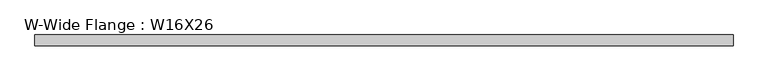
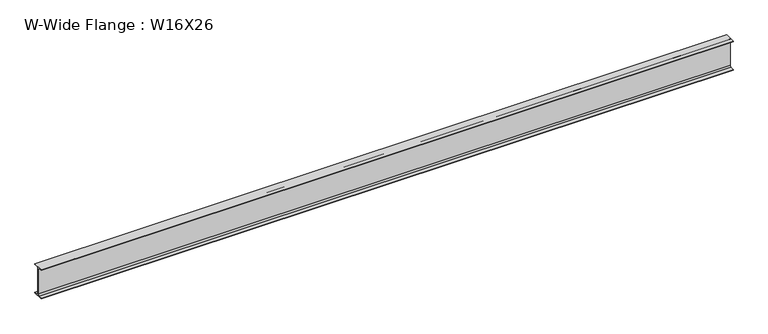
"""IFC4 building model written with IfcOpenShell, lengths in millimetres: beam geometry, W-Wide Flange : W16X26."""

import ifcopenshell
import ifcopenshell.guid

model = None  # the IFC model being written
_history = None  # IfcOwnerHistory: only IFC2X3 demands one
_inside = {}  # id of a spatial element -> (the spatial element, [elements in it])
_under = {}  # id of a project, library or spatial element -> (it, [spatial elements below it])
_declared = {}  # id of a project -> (the project, [libraries it declares])
_typed = {}  # id of a type object -> (the type object, [elements of that type])
_made_of = {}  # id of a material, layer set ... -> (it, [elements and type objects made of it])


def new_model(schema):
    """Start an empty IFC model of exactly this schema.

    Asked for "IFC4X3", IfcOpenShell would pick the latest addendum, in which some entities
    have other attributes; the version numbers below select the first issue.
    IFC2X3 requires an IfcOwnerHistory on every rooted entity: one is made here for all.
    """
    global model, _history
    if schema == "IFC4X3":
        model = ifcopenshell.file(schema_version=(4, 3, 0, 0))
    else:
        model = ifcopenshell.file(schema=schema)
    _inside.clear()
    _under.clear()
    _declared.clear()
    _typed.clear()
    _made_of.clear()
    _history = None
    if model.schema == "IFC2X3":
        org = make("IfcOrganization", Name="unknown")
        user = make(
            "IfcPersonAndOrganization",
            ThePerson=make("IfcPerson", FamilyName="unknown"),
            TheOrganization=org,
        )
        app = make(
            "IfcApplication",
            ApplicationDeveloper=org,
            Version="unknown",
            ApplicationFullName="unknown",
            ApplicationIdentifier="unknown",
        )
        _history = make(
            "IfcOwnerHistory",
            OwningUser=user,
            OwningApplication=app,
            ChangeAction="ADDED",
            CreationDate=0,
        )
    return model


def make(cls, **values):
    """One entity of the class cls with the attributes given. An attribute that is None is left unset."""
    return model.create_entity(
        cls, **{name: value for name, value in values.items() if value is not None}
    )


def rooted(cls, **values):
    """An entity with a GlobalId (a new one), such as an element, a storey or a relation."""
    return make(cls, GlobalId=ifcopenshell.guid.new(), OwnerHistory=_history, **values)


def si_unit(unit_type, name, prefix=None):
    """IfcSIUnit, for example si_unit("LENGTHUNIT", "METRE", prefix="MILLI")."""
    return make("IfcSIUnit", UnitType=unit_type, Prefix=prefix, Name=name)


def assignment(units):
    """IfcUnitAssignment: the units of a project."""
    return None if units is None else make("IfcUnitAssignment", Units=units)


def point(xyz):
    """IfcCartesianPoint."""
    return None if xyz is None else make("IfcCartesianPoint", Coordinates=xyz)


def direction(xyz):
    """IfcDirection."""
    return None if xyz is None else make("IfcDirection", DirectionRatios=xyz)


def frame(location, z_axis=None, x_axis=None):
    """IfcAxis2Placement3D, a coordinate frame: its origin and axes. An axis left out is left unset."""
    return make(
        "IfcAxis2Placement3D",
        Location=point(location),
        Axis=direction(z_axis),
        RefDirection=direction(x_axis),
    )


def frame_2d(location, x_axis=None):
    """IfcAxis2Placement2D, a coordinate frame in the plane: its origin and x axis."""
    return make(
        "IfcAxis2Placement2D", Location=point(location), RefDirection=direction(x_axis)
    )


def origin():
    """The frame at (0, 0, 0) with its axes left unset."""
    return frame((0.0, 0.0, 0.0))


def place(relative_to, where):
    """IfcLocalPlacement: puts the frame where relative to a parent placement (None: the world)."""
    return make(
        "IfcLocalPlacement", PlacementRelTo=relative_to, RelativePlacement=where
    )


def context(
    kind, dimensions, precision=None, world=None, true_north=None, identifier=None
):
    """IfcGeometricRepresentationContext, for example the 3D "Model" context."""
    return make(
        "IfcGeometricRepresentationContext",
        ContextIdentifier=identifier,
        ContextType=kind,
        CoordinateSpaceDimension=dimensions,
        Precision=precision,
        WorldCoordinateSystem=world,
        TrueNorth=true_north,
    )


def project(units=None, contexts=None):
    """IfcProject with its units and contexts."""
    return rooted(
        "IfcProject",
        Name="project",
        RepresentationContexts=contexts,
        UnitsInContext=assignment(units),
    )


def spatial(cls, under=None, at=None, **own):
    """A site, building, storey or space (cls), placed at a placement, below another one or the project."""
    s = rooted(cls, ObjectPlacement=at, **own)
    if under is not None:
        _under.setdefault(under.id(), (under, []))[1].append(s)
    return s


def polyline(points):
    """IfcPolyline through the points."""
    return make("IfcPolyline", Points=[point(p) for p in points])


def circle_curve(where, radius):
    """IfcCircle in the frame where."""
    return make("IfcCircle", Position=where, Radius=radius)


def trimmed(basis, trim1, trim2, sense, master):
    """IfcTrimmedCurve: the piece of a basis curve between two trims."""
    return make(
        "IfcTrimmedCurve",
        BasisCurve=basis,
        Trim1=trim1,
        Trim2=trim2,
        SenseAgreement=sense,
        MasterRepresentation=master,
    )


def segment(curve, same_sense, transition):
    """IfcCompositeCurveSegment."""
    return make(
        "IfcCompositeCurveSegment",
        Transition=transition,
        SameSense=same_sense,
        ParentCurve=curve,
    )


def composite_curve(segments, self_intersect=None):
    """IfcCompositeCurve: segments joined end to end."""
    return make("IfcCompositeCurve", Segments=segments, SelfIntersect=self_intersect)


def outline(outer, holes=None, kind="AREA"):
    """IfcArbitraryClosedProfileDef: a profile drawn as a closed curve; with holes, ...WithVoids."""
    if holes is None:
        return make("IfcArbitraryClosedProfileDef", ProfileType=kind, OuterCurve=outer)
    return make(
        "IfcArbitraryProfileDefWithVoids",
        ProfileType=kind,
        OuterCurve=outer,
        InnerCurves=holes,
    )


def extrude(swept, where, along, depth):
    """IfcExtrudedAreaSolid: the profile swept, set in the frame where, extruded along a direction by depth."""
    return make(
        "IfcExtrudedAreaSolid",
        SweptArea=swept,
        Position=where,
        ExtrudedDirection=direction(along),
        Depth=depth,
    )


def shape(context_of_items, identifier, shape_type, items):
    """IfcShapeRepresentation: the items that make up one representation, for example the "Body"."""
    return make(
        "IfcShapeRepresentation",
        ContextOfItems=context_of_items,
        RepresentationIdentifier=identifier,
        RepresentationType=shape_type,
        Items=items,
    )


def source(mapping_origin, context_of_items, identifier, shape_type, items):
    """IfcRepresentationMap: a shape defined once, which mapped items show again and again."""
    return make(
        "IfcRepresentationMap",
        MappingOrigin=mapping_origin,
        MappedRepresentation=shape(context_of_items, identifier, shape_type, items),
    )


def transform(
    local_origin,
    x_axis=None,
    y_axis=None,
    z_axis=None,
    scale=None,
    scale2=None,
    scale3=None,
    uniform=True,
):
    """IfcCartesianTransformationOperator3D, or its non-uniform kind. x_axis, y_axis, z_axis: its Axis1, 2, 3."""
    if uniform:
        return make(
            "IfcCartesianTransformationOperator3D",
            Axis1=direction(x_axis),
            Axis2=direction(y_axis),
            LocalOrigin=point(local_origin),
            Scale=scale,
            Axis3=direction(z_axis),
        )
    return make(
        "IfcCartesianTransformationOperator3DnonUniform",
        Axis1=direction(x_axis),
        Axis2=direction(y_axis),
        LocalOrigin=point(local_origin),
        Scale=scale,
        Axis3=direction(z_axis),
        Scale2=scale2,
        Scale3=scale3,
    )


def mapped(mapping_source, mapping_target):
    """IfcMappedItem: shows the shape of a source again, moved by a transform."""
    return make(
        "IfcMappedItem", MappingSource=mapping_source, MappingTarget=mapping_target
    )


def made_of(thing, what):
    """Note that an element or type object is made of a material, layer set ...; save() writes the relation."""
    if what is not None:
        _made_of.setdefault(what.id(), (what, []))[1].append(thing)
    return thing


def element(
    cls,
    number,
    at=None,
    inside=None,
    cuts=None,
    type_object=None,
    material=None,
    context=None,
    identifier="Body",
    shape_type=None,
    held_by="IfcProductDefinitionShape",
    body=None,
    shapes=None,
    **own,
):
    """One element of the class cls, such as IfcWall. Its Tag is "e" and its number.

    at: its placement. inside: the storey or other place that contains it. cuts: it is an
    opening in that element (IfcRelVoidsElement). A single representation is given by context,
    identifier, shape_type and body (its items); several are given by shapes. held_by: the class
    of the entity that holds the representations. save() writes the other relations.
    """
    e = rooted(cls, Tag="e%d" % number, ObjectPlacement=at, **own)
    if body is not None:
        shapes = [shape(context, identifier, shape_type, body)]
    if shapes is not None:
        e.Representation = make(held_by, Representations=shapes)
    if inside is not None:
        _inside.setdefault(inside.id(), (inside, []))[1].append(e)
    if cuts is not None:
        rooted(
            "IfcRelVoidsElement", RelatingBuildingElement=cuts, RelatedOpeningElement=e
        )
    if type_object is not None:
        _typed.setdefault(type_object.id(), (type_object, []))[1].append(e)
    return made_of(e, material)


def aggregate(whole, parts):
    """IfcRelAggregates: a whole, such as a stair, and the parts it consists of."""
    return rooted("IfcRelAggregates", RelatingObject=whole, RelatedObjects=parts)


def save(model, path):
    """Write the relations noted so far, then the file.

    IfcRelAggregates (storeys below a building ...), IfcRelContainedInSpatialStructure (elements
    in a storey), IfcRelDefinesByType, IfcRelAssociatesMaterial and IfcRelDeclares: one each for
    every whole, place, type object, material and project.
    """
    for whole, parts in _under.values():
        aggregate(whole, parts)
    for where, things in _inside.values():
        rooted(
            "IfcRelContainedInSpatialStructure",
            RelatedElements=things,
            RelatingStructure=where,
        )
    for kind, things in _typed.values():
        rooted("IfcRelDefinesByType", RelatedObjects=things, RelatingType=kind)
    for what, things in _made_of.values():
        rooted("IfcRelAssociatesMaterial", RelatedObjects=things, RelatingMaterial=what)
    for by, libraries in _declared.values():
        rooted("IfcRelDeclares", RelatingContext=by, RelatedDefinitions=libraries)
    model.write(path)


def w_wide_flange_w16x26_74088df0(model_context):
    return source(origin(), model_context, "Body", "SweptSolid", [
        extrude(outline(composite_curve([segment(polyline([(69.85, -190.5496094), (69.85, -199.2808594), (-69.85, -199.2808594), (-69.85, -190.5496094), (-21.43125, -190.5496094)]), True, "CONTINUOUS"), segment(trimmed(circle_curve(frame_2d((-21.43125, -172.2933594)), 18.25625), [point((-21.43125, -190.5496094))], [point((-3.175, -172.2933594))], True, "CARTESIAN"), True, "CONTINUOUS"), segment(polyline([(-3.175, -172.2933594), (-3.175, 172.2933594)]), True, "CONTINUOUS"), segment(trimmed(circle_curve(frame_2d((-21.43125, 172.2933594)), 18.25625), [point((-3.175, 172.2933594))], [point((-21.43125, 190.5496094))], True, "CARTESIAN"), True, "CONTINUOUS"), segment(polyline([(-21.43125, 190.5496094), (-69.85, 190.5496094), (-69.85, 199.2808594), (69.85, 199.2808594), (69.85, 190.5496094), (21.43125, 190.5496094)]), True, "CONTINUOUS"), segment(trimmed(circle_curve(frame_2d((21.43125, 172.2933594)), 18.25625), [point((21.43125, 190.5496094))], [point((3.175, 172.2933594))], True, "CARTESIAN"), True, "CONTINUOUS"), segment(polyline([(3.175, 172.2933594), (3.175, -172.2933594)]), True, "CONTINUOUS"), segment(trimmed(circle_curve(frame_2d((21.43125, -172.2933594)), 18.25625), [point((3.175, -172.2933594))], [point((21.43125, -190.5496094))], True, "CARTESIAN"), True, "CONTINUOUS"), segment(polyline([(21.43125, -190.5496094), (69.85, -190.5496094)]), True, "CONTINUOUS")], self_intersect=False)), frame((-4483.1, 0.0, 0.0), z_axis=(1.0, 0.0, 0.0), x_axis=(0.0, 1.0, 0.0)), (0.0, 0.0, 1.0), 8966.2),
    ])


if __name__ == "__main__":
    model = new_model("IFC4")
    model_context = context("Model", 3, world=origin())
    ifc_project = project(units=[si_unit("LENGTHUNIT", "METRE", prefix="MILLI")], contexts=[model_context])
    site = spatial("IfcSite", under=ifc_project)
    building = spatial("IfcBuilding", under=site)
    placement = place(None, origin())
    w_wide_flange_w16x26_shape = w_wide_flange_w16x26_74088df0(model_context)
    element("IfcBeam", 1, ObjectType="W-Wide Flange : W16X26", at=placement, inside=building, context=model_context, shape_type="MappedRepresentation", body=[
        mapped(w_wide_flange_w16x26_shape, transform((0.0, 0.0, 0.0), x_axis=(1.0, 0.0, 0.0), y_axis=(0.0, 1.0, 0.0), z_axis=(0.0, 0.0, 1.0))),
    ])
    save(model, "model.ifc")
